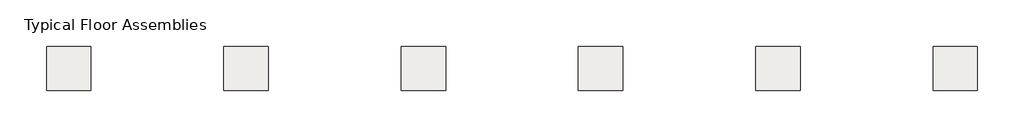
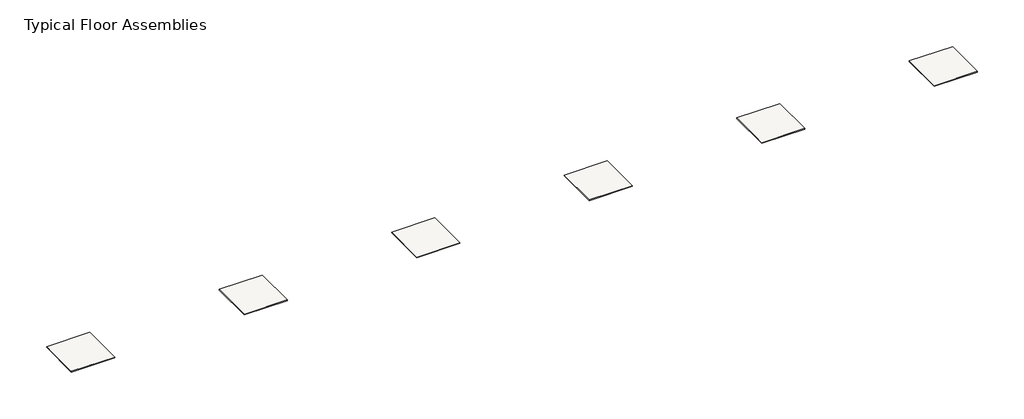
# One storey: 6 slabs.
"""IFC4 building model written with IfcOpenShell, lengths in millimetres."""

from ifc_helpers import new_model, si_unit, frame, origin, place, context, project, spatial, polyline, outline, extrude, element, save

model = new_model("IFC4")

# Units and contexts
model_context = context("Model", 3, world=origin())
ifc_project = project(units=[si_unit("LENGTHUNIT", "METRE", prefix="MILLI")], contexts=[model_context])

# Site, building, storey
site = spatial("IfcSite", under=ifc_project)
building = spatial("IfcBuilding", under=site)
storey = spatial("IfcBuildingStorey", under=building, Name="Typical Floor Assemblies", Elevation=3048.0)

# Slabs
placement = place(None, origin())
element("IfcSlab", 1, at=placement, inside=storey, context=model_context, shape_type="SweptSolid", body=[
    extrude(outline(polyline([(-18722.4639512, 6895.4152845), (-17198.4639512, 6895.4152845), (-17198.4639512, 5371.4152845), (-18722.4639512, 5371.4152845), (-18722.4639512, 6895.4152845)])), frame((0.0, 0.0, 3021.0124992), z_axis=(0.0, 0.0, 1.0), x_axis=(1.0, 0.0, 0.0)), (0.0, 0.0, 1.0), 26.9875008),
])
element("IfcSlab", 2, at=placement, inside=storey, context=model_context, shape_type="SweptSolid", body=[
    extrude(outline(polyline([(-12626.4639512, 6895.4152845), (-11102.4639512, 6895.4152845), (-11102.4639512, 5371.4152845), (-12626.4639512, 5371.4152845), (-12626.4639512, 6895.4152845)])), frame((0.0, 0.0, 3021.0124992), z_axis=(0.0, 0.0, 1.0), x_axis=(1.0, 0.0, 0.0)), (0.0, 0.0, 1.0), 26.9875008),
])
element("IfcSlab", 3, at=placement, inside=storey, context=model_context, shape_type="SweptSolid", body=[
    extrude(outline(polyline([(-6530.4639512, 6895.4152845), (-5006.4639512, 6895.4152845), (-5006.4639512, 5371.4152845), (-6530.4639512, 5371.4152845), (-6530.4639512, 6895.4152845)])), frame((0.0, 0.0, 3021.0124992), z_axis=(0.0, 0.0, 1.0), x_axis=(1.0, 0.0, 0.0)), (0.0, 0.0, 1.0), 26.9875008),
])
element("IfcSlab", 4, at=placement, inside=storey, context=model_context, shape_type="SweptSolid", body=[
    extrude(outline(polyline([(-434.4639512, 6895.4152845), (1089.5360488, 6895.4152845), (1089.5360488, 5371.4152845), (-434.4639512, 5371.4152845), (-434.4639512, 6895.4152845)])), frame((0.0, 0.0, 3021.0124992), z_axis=(0.0, 0.0, 1.0), x_axis=(1.0, 0.0, 0.0)), (0.0, 0.0, 1.0), 26.9875008),
])
element("IfcSlab", 5, at=placement, inside=storey, context=model_context, shape_type="SweptSolid", body=[
    extrude(outline(polyline([(5661.5360488, 6895.4152845), (7185.5360488, 6895.4152845), (7185.5360488, 5371.4152845), (5661.5360488, 5371.4152845), (5661.5360488, 6895.4152845)])), frame((0.0, 0.0, 3021.0124992), z_axis=(0.0, 0.0, 1.0), x_axis=(1.0, 0.0, 0.0)), (0.0, 0.0, 1.0), 26.9875008),
])
element("IfcSlab", 6, at=placement, inside=storey, context=model_context, shape_type="SweptSolid", body=[
    extrude(outline(polyline([(11757.5360488, 6895.4152845), (13281.5360488, 6895.4152845), (13281.5360488, 5371.4152845), (11757.5360488, 5371.4152845), (11757.5360488, 6895.4152845)])), frame((0.0, 0.0, 3021.0124992), z_axis=(0.0, 0.0, 1.0), x_axis=(1.0, 0.0, 0.0)), (0.0, 0.0, 1.0), 26.9875008),
])

save(model, "model.ifc")
